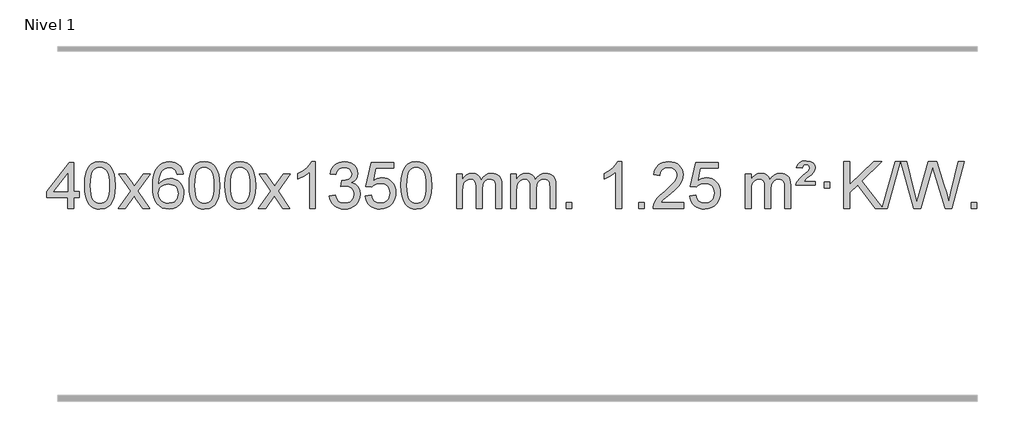
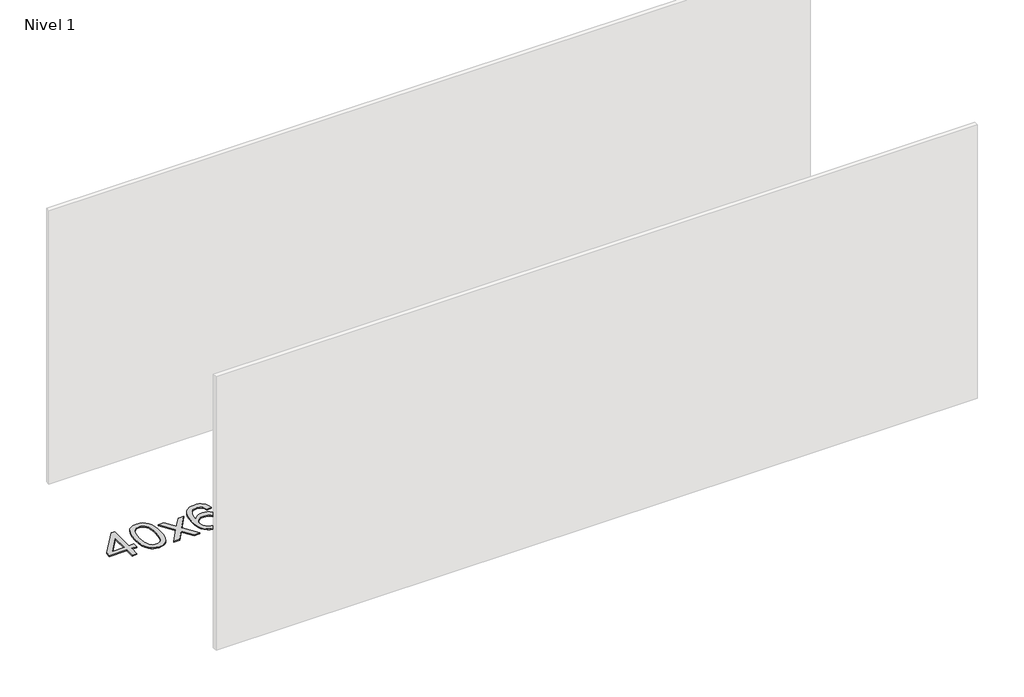
# One storey, part 9 of 9: 1 proxy.
"""IFC4 building model written with IfcOpenShell, lengths in millimetres."""

from ifc_helpers import new_model, si_unit, origin, origin_with_axes, place, context, project, spatial, polyline, outline, extrude, element, save

model = new_model("IFC4")

# Units and contexts
model_context = context("Model", 3, world=origin())
ifc_project = project(units=[si_unit("LENGTHUNIT", "METRE", prefix="MILLI")], contexts=[model_context])

# Site, building, storey
site = spatial("IfcSite", under=ifc_project)
building = spatial("IfcBuilding", under=site)
storey = spatial("IfcBuildingStorey", under=building, Name="Nivel 1", Elevation=0.0)

# Proxy
placement = place(None, origin())
element("IfcBuildingElementProxy", 1, Name="Texto de modelo 1", ObjectType="Texto de modelo 1", at=placement, inside=storey, context=model_context, shape_type="SweptSolid", body=[
    extrude(outline(polyline([(-12946.7519314, 2608.420547), (-12946.7519314, 2702.5983378), (-13128.8289935, 2702.5983378), (-13128.8289935, 2752.8264928), (-12934.1948926, 3003.9672682), (-12896.5237763, 3003.9672682), (-12896.5237763, 2752.8264928), (-12846.2956212, 2752.8264928), (-12846.2956212, 2702.5983378), (-12896.5237763, 2702.5983378), (-12896.5237763, 2608.420547), (-12946.7519314, 2608.420547)]), holes=[polyline([(-12946.7519314, 2752.8264928), (-12946.7519314, 2908.0236439), (-13067.0248183, 2752.8264928), (-12946.7519314, 2752.8264928)])]), origin_with_axes(), (0.0, 0.0, 1.0), 10.0),
    extrude(outline(polyline([(-12802.3459855, 2806.0958057), (-12798.6549029, 2870.4138412), (-12787.5816548, 2921.7088541), (-12769.236606, 2960.7656593), (-12757.378543, 2975.9990395), (-12743.730121, 2988.3690716), (-12728.2453547, 2997.9401349), (-12710.8782588, 3004.7766086), (-12670.4970785, 3010.2457876), (-12639.5459399, 3007.008426), (-12611.832163, 2997.2963414), (-12588.6555973, 2981.4896783), (-12571.3160926, 2959.9685816), (-12558.2194935, 2932.9169922), (-12547.7716449, 2900.5188512), (-12540.9290398, 2859.3773814), (-12538.6481714, 2806.0958057), (-12542.3024659, 2742.1456523), (-12553.2653493, 2690.9732667), (-12571.5000336, 2651.8796734), (-12583.3305054, 2636.6003078), (-12596.9697304, 2624.1658964), (-12612.4728908, 2614.5304538), (-12629.8951689, 2607.6479948), (-12670.4970785, 2602.1420276), (-12698.1618045, 2604.5332606), (-12722.6872709, 2611.7069595), (-12744.0734775, 2623.6631243), (-12762.3204245, 2640.4017551), (-12779.8316074, 2670.6600492), (-12792.3395953, 2708.3618224), (-12799.844388, 2753.5070745), (-12802.3459855, 2806.0958057)]), holes=[polyline([(-12752.1178305, 2806.1939076), (-12750.6463025, 2762.5293805), (-12746.2317185, 2727.1851178), (-12738.8740786, 2700.1611196), (-12728.5733828, 2681.4573858), (-12716.1144459, 2668.7317344), (-12702.2820829, 2659.6419835), (-12687.0762937, 2654.1881329), (-12670.4970785, 2652.3701827), (-12653.9178632, 2654.1942643), (-12638.7120741, 2659.6665089), (-12624.8797111, 2668.7869167), (-12612.4207742, 2681.5554876), (-12602.1200783, 2700.2898783), (-12594.7624384, 2727.3077451), (-12590.3478545, 2762.6090882), (-12588.8763265, 2806.1939076), (-12590.2988035, 2848.7026722), (-12594.5662347, 2883.4246011), (-12601.6786199, 2910.3596945), (-12611.6359592, 2929.5079524), (-12623.8864297, 2942.8559375), (-12637.8782082, 2952.3902125), (-12653.6112949, 2958.1107775), (-12671.0856897, 2960.0176325), (-12687.5790658, 2958.3376381), (-12702.5273375, 2953.2976548), (-12715.9305049, 2944.8976825), (-12727.7885679, 2933.1377214), (-12738.4326203, 2912.291075), (-12746.0355148, 2884.1848906), (-12750.5972516, 2848.8191681), (-12752.1178305, 2806.1939076)])]), origin_with_axes(), (0.0, 0.0, 1.0), 10.0),
    extrude(outline(polyline([(-12513.5340939, 2608.420547), (-12406.2106531, 2756.7505675), (-12507.2555745, 2903.5109581), (-12446.8248254, 2903.5109581), (-12398.0681983, 2832.877615), (-12375.3085655, 2799.5229808), (-12355.5900906, 2826.7952993), (-12300.0644348, 2903.5109581), (-12239.6336857, 2903.5109581), (-12345.7799041, 2756.7505675), (-12243.5577603, 2608.420547), (-12303.9885094, 2608.420547), (-12365.498379, 2697.5951426), (-12376.7800935, 2713.8800523), (-12453.1033448, 2608.420547), (-12513.5340939, 2608.420547)])), origin_with_axes(), (0.0, 0.0, 1.0), 10.0),
    extrude(outline(polyline([(-11954.7458687, 2903.5109581), (-12004.9740237, 2897.2324387), (-12013.0674276, 2922.125787), (-12024.0057856, 2939.1219352), (-12046.7899439, 2954.7937082), (-12074.3320426, 2960.0176325), (-12097.6802865, 2956.9764747), (-12119.6551044, 2947.8530012), (-12138.5274507, 2928.6372983), (-12153.9417063, 2902.1865829), (-12164.3527668, 2864.772984), (-12168.2155277, 2812.6686307), (-12148.0678571, 2836.1762902), (-12123.9225355, 2852.7432427), (-12097.1284635, 2862.565692), (-12069.0345418, 2865.8398418), (-12044.9014829, 2863.601893), (-12022.6323595, 2856.8880466), (-12002.2271715, 2845.6983025), (-11983.6859189, 2830.0326609), (-11968.2777947, 2810.8230894), (-11957.2719917, 2789.0015557), (-11950.6685099, 2764.5680599), (-11948.4673493, 2737.5226018), (-11952.6121531, 2701.5560055), (-11965.0465645, 2668.213634), (-11984.740514, 2639.9357713), (-12010.6639319, 2619.1627013), (-12041.6395959, 2606.397196), (-12076.4902836, 2602.1420276), (-12106.4328123, 2604.9624563), (-12133.4752046, 2613.4237421), (-12157.6174606, 2627.5258853), (-12178.8595801, 2647.2688857), (-12196.177625, 2673.4866092), (-12208.5476571, 2707.0129217), (-12215.9696764, 2747.8478232), (-12218.4436828, 2795.9913136), (-12215.6968306, 2849.9657337), (-12207.4562739, 2896.0306908), (-12193.7220127, 2934.1861851), (-12174.4940471, 2964.4322165), (-12153.6535321, 2984.4756538), (-12129.4898164, 2998.7923948), (-12102.0029, 3007.3824394), (-12071.1927829, 3010.2457876), (-12048.0591367, 3008.4738227), (-12027.1205198, 3003.1579278), (-12008.3769322, 2994.2981031), (-11991.8283738, 2981.8943485), (-11977.9224344, 2966.3635969), (-11967.1067037, 2948.1227814), (-11959.3811818, 2927.1719017), (-11954.7458687, 2903.5109581)]), holes=[polyline([(-12168.2155277, 2738.3074168), (-12165.30926, 2716.0505561), (-12156.5904567, 2694.7992395), (-12143.0523993, 2676.527767), (-12125.6883691, 2663.2104388), (-12104.7313581, 2655.0802467), (-12080.4143582, 2652.3701827), (-12047.2681904, 2657.9865145), (-12033.353054, 2665.0069292), (-12021.2098825, 2674.8355099), (-12011.359842, 2687.0737176), (-12004.3240989, 2701.3230135), (-11998.6955043, 2735.8548701), (-12004.2505225, 2769.0010379), (-12011.1942951, 2782.6218688), (-12020.9155769, 2794.274531), (-12033.0955366, 2803.6095366), (-12047.4153432, 2810.2773978), (-12082.4744974, 2815.6116867), (-12115.5716142, 2810.2773978), (-12143.248603, 2794.274531), (-12154.1716326, 2782.7751529), (-12161.9737965, 2769.6141746), (-12166.6550949, 2754.7915958), (-12168.2155277, 2738.3074168)])]), origin_with_axes(), (0.0, 0.0, 1.0), 10.0),
    extrude(outline(polyline([(-11904.5177136, 2806.0958057), (-11900.8266309, 2870.4138412), (-11889.7533828, 2921.7088541), (-11871.408334, 2960.7656593), (-11859.550271, 2975.9990395), (-11845.901849, 2988.3690716), (-11830.4170827, 2997.9401349), (-11813.0499869, 3004.7766086), (-11772.6688065, 3010.2457876), (-11741.717668, 3007.008426), (-11714.003891, 2997.2963414), (-11690.8273253, 2981.4896783), (-11673.4878206, 2959.9685816), (-11660.3912216, 2932.9169922), (-11649.9433729, 2900.5188512), (-11643.1007678, 2859.3773814), (-11640.8198994, 2806.0958057), (-11644.4741939, 2742.1456523), (-11655.4370774, 2690.9732667), (-11673.6717616, 2651.8796734), (-11685.5022334, 2636.6003078), (-11699.1414584, 2624.1658964), (-11714.6446188, 2614.5304538), (-11732.066897, 2607.6479948), (-11772.6688065, 2602.1420276), (-11800.3335326, 2604.5332606), (-11824.8589989, 2611.7069595), (-11846.2452055, 2623.6631243), (-11864.4921525, 2640.4017551), (-11882.0033355, 2670.6600492), (-11894.5113233, 2708.3618224), (-11902.016116, 2753.5070745), (-11904.5177136, 2806.0958057)]), holes=[polyline([(-11854.2895585, 2806.1939076), (-11852.8180305, 2762.5293805), (-11848.4034466, 2727.1851178), (-11841.0458067, 2700.1611196), (-11830.7451108, 2681.4573858), (-11818.2861739, 2668.7317344), (-11804.4538109, 2659.6419835), (-11789.2480218, 2654.1881329), (-11772.6688065, 2652.3701827), (-11756.0895913, 2654.1942643), (-11740.8838021, 2659.6665089), (-11727.0514391, 2668.7869167), (-11714.5925022, 2681.5554876), (-11704.2918063, 2700.2898783), (-11696.9341664, 2727.3077451), (-11692.5195825, 2762.6090882), (-11691.0480545, 2806.1939076), (-11692.4705316, 2848.7026722), (-11696.7379627, 2883.4246011), (-11703.8503479, 2910.3596945), (-11713.8076873, 2929.5079524), (-11726.0581577, 2942.8559375), (-11740.0499363, 2952.3902125), (-11755.7830229, 2958.1107775), (-11773.2574177, 2960.0176325), (-11789.7507938, 2958.3376381), (-11804.6990656, 2953.2976548), (-11818.1022329, 2944.8976825), (-11829.9602959, 2933.1377214), (-11840.6043483, 2912.291075), (-11848.2072429, 2884.1848906), (-11852.7689796, 2848.8191681), (-11854.2895585, 2806.1939076)])]), origin_with_axes(), (0.0, 0.0, 1.0), 10.0),
    extrude(outline(polyline([(-11596.8702638, 2806.0958057), (-11593.1791811, 2870.4138412), (-11582.105933, 2921.7088541), (-11563.7608842, 2960.7656593), (-11551.9028212, 2975.9990395), (-11538.2543992, 2988.3690716), (-11522.7696329, 2997.9401349), (-11505.402537, 3004.7766086), (-11465.0213567, 3010.2457876), (-11434.0702182, 3007.008426), (-11406.3564412, 2997.2963414), (-11383.1798755, 2981.4896783), (-11365.8403708, 2959.9685816), (-11352.7437718, 2932.9169922), (-11342.2959231, 2900.5188512), (-11335.453318, 2859.3773814), (-11333.1724496, 2806.0958057), (-11336.8267441, 2742.1456523), (-11347.7896275, 2690.9732667), (-11366.0243118, 2651.8796734), (-11377.8547836, 2636.6003078), (-11391.4940086, 2624.1658964), (-11406.997169, 2614.5304538), (-11424.4194471, 2607.6479948), (-11465.0213567, 2602.1420276), (-11492.6860827, 2604.5332606), (-11517.2115491, 2611.7069595), (-11538.5977557, 2623.6631243), (-11556.8447027, 2640.4017551), (-11574.3558856, 2670.6600492), (-11586.8638735, 2708.3618224), (-11594.3686662, 2753.5070745), (-11596.8702638, 2806.0958057)]), holes=[polyline([(-11546.6421087, 2806.1939076), (-11545.1705807, 2762.5293805), (-11540.7559968, 2727.1851178), (-11533.3983568, 2700.1611196), (-11523.097661, 2681.4573858), (-11510.6387241, 2668.7317344), (-11496.8063611, 2659.6419835), (-11481.6005719, 2654.1881329), (-11465.0213567, 2652.3701827), (-11448.4421414, 2654.1942643), (-11433.2363523, 2659.6665089), (-11419.4039893, 2668.7869167), (-11406.9450524, 2681.5554876), (-11396.6443565, 2700.2898783), (-11389.2867166, 2727.3077451), (-11384.8721327, 2762.6090882), (-11383.4006047, 2806.1939076), (-11384.8230817, 2848.7026722), (-11389.0905129, 2883.4246011), (-11396.2028981, 2910.3596945), (-11406.1602375, 2929.5079524), (-11418.4107079, 2942.8559375), (-11432.4024864, 2952.3902125), (-11448.1355731, 2958.1107775), (-11465.6099679, 2960.0176325), (-11482.103344, 2958.3376381), (-11497.0516157, 2953.2976548), (-11510.4547831, 2944.8976825), (-11522.3128461, 2933.1377214), (-11532.9568985, 2912.291075), (-11540.559793, 2884.1848906), (-11545.1215298, 2848.8191681), (-11546.6421087, 2806.1939076)])]), origin_with_axes(), (0.0, 0.0, 1.0), 10.0),
    extrude(outline(polyline([(-11308.0583721, 2608.420547), (-11200.7349313, 2756.7505675), (-11301.7798527, 2903.5109581), (-11241.3491036, 2903.5109581), (-11192.5924765, 2832.877615), (-11169.8328437, 2799.5229808), (-11150.1143688, 2826.7952993), (-11094.588713, 2903.5109581), (-11034.1579639, 2903.5109581), (-11140.3041823, 2756.7505675), (-11038.0820385, 2608.420547), (-11098.5127876, 2608.420547), (-11160.0226572, 2697.5951426), (-11171.3043717, 2713.8800523), (-11247.627623, 2608.420547), (-11308.0583721, 2608.420547)])), origin_with_axes(), (0.0, 0.0, 1.0), 10.0),
    extrude(outline(polyline([(-10818.3338601, 2608.420547), (-10868.5620152, 2608.420547), (-10868.5620152, 2921.5617013), (-10889.5312889, 2904.6023413), (-10916.1414199, 2887.6675068), (-10969.0183253, 2862.3081746), (-10969.0183253, 2909.7894775), (-10929.5691127, 2931.2492605), (-10895.3928753, 2956.780271), (-10868.4516506, 2983.9299622), (-10850.7074757, 3010.2457876), (-10818.3338601, 3010.2457876), (-10818.3338601, 2608.420547)])), origin_with_axes(), (0.0, 0.0, 1.0), 10.0),
    extrude(outline(polyline([(-10699.0419918, 2715.1553765), (-10648.8138367, 2721.4338959), (-10637.5689104, 2689.8696207), (-10621.1000597, 2668.5569905), (-10598.5979444, 2656.4168846), (-10569.2532239, 2652.3701827), (-10534.8194691, 2657.9374636), (-10520.5456477, 2664.8965646), (-10508.2338636, 2674.6393061), (-10491.2377154, 2699.5571799), (-10485.5723327, 2729.7725545), (-10491.1886645, 2758.4550874), (-10508.0376599, 2781.7174922), (-10533.5441449, 2797.1317478), (-10565.1329455, 2802.269833), (-10600.3515152, 2796.7761285), (-10594.7597089, 2847.0042836), (-10586.7153559, 2846.4156724), (-10556.6226087, 2850.020916), (-10529.7181721, 2860.8366466), (-10518.6449241, 2869.0158897), (-10510.7354612, 2879.1326445), (-10505.9897835, 2891.1869112), (-10504.4078909, 2905.1786898), (-10508.9941531, 2926.8714648), (-10522.7529397, 2944.4684869), (-10543.7467389, 2956.1303461), (-10570.0380388, 2960.0176325), (-10596.3783897, 2956.0935579), (-10617.9117491, 2944.3213341), (-10633.632573, 2924.700961), (-10642.5353173, 2897.2324387), (-10692.7634724, 2903.5109581), (-10686.8099154, 2927.4907328), (-10677.9746162, 2948.6132907), (-10666.2575747, 2966.8786317), (-10651.6587908, 2982.286756), (-10634.6381172, 2994.5188323), (-10615.6554062, 3003.2560297), (-10594.710658, 3008.4983481), (-10571.8038724, 3010.2457876), (-10540.2273345, 3006.7999596), (-10511.2259705, 2996.4624755), (-10486.7740806, 2980.1530404), (-10468.8459647, 2958.7913592), (-10457.846293, 2934.1800537), (-10454.1797358, 2908.1217457), (-10457.662352, 2883.8415341), (-10468.1102007, 2861.8176653), (-10485.376129, 2843.0556835), (-10509.3129841, 2828.5611329), (-10477.8713363, 2815.8569414), (-10454.5721433, 2794.22548), (-10440.151169, 2764.8439714), (-10435.3441776, 2728.8896377), (-10437.7476733, 2703.4076782), (-10444.9581605, 2679.9368069), (-10456.975639, 2658.4770238), (-10473.8001089, 2639.028329), (-10494.2972674, 2622.8905722), (-10517.3328116, 2611.363603), (-10542.9067417, 2604.4474215), (-10571.0190575, 2602.1420276), (-10596.4274406, 2604.1101963), (-10619.5794808, 2610.0147023), (-10640.4751782, 2619.8555457), (-10659.1145326, 2633.6327264), (-10674.743386, 2650.5369041), (-10686.6075804, 2669.7587383), (-10694.7071156, 2691.2982292), (-10699.0419918, 2715.1553765)])), origin_with_axes(), (0.0, 0.0, 1.0), 10.0),
    extrude(outline(polyline([(-10391.394542, 2715.1553765), (-10341.1663869, 2721.4338959), (-10331.9448115, 2691.2798351), (-10315.8561056, 2669.6851619), (-10292.9738455, 2656.6989275), (-10263.3716076, 2652.3701827), (-10244.2417439, 2653.8754332), (-10227.368223, 2658.3911847), (-10212.7510451, 2665.9174372), (-10200.3902101, 2676.4541906), (-10190.5616294, 2689.480279), (-10183.5412147, 2704.4745359), (-10177.9248829, 2740.3675559), (-10183.1855954, 2774.1636486), (-10189.7614861, 2788.0818507), (-10198.967733, 2800.0134901), (-10210.834993, 2809.5845533), (-10225.393923, 2816.4210271), (-10262.5867927, 2821.8902061), (-10286.9528435, 2819.7074396), (-10306.6835812, 2813.1591401), (-10322.4411933, 2803.1282243), (-10334.8878675, 2790.4976092), (-10385.1160226, 2796.7761285), (-10341.1663869, 3003.9672682), (-10146.532286, 3003.9672682), (-10146.532286, 2953.7391131), (-10300.5522146, 2953.7391131), (-10322.0365231, 2843.080209), (-10304.3107423, 2855.7844006), (-10286.1557659, 2864.8588231), (-10267.5715937, 2870.3034766), (-10248.558226, 2872.1183612), (-10224.097139, 2869.8681496), (-10201.6287461, 2863.117515), (-10181.1530474, 2851.8664573), (-10162.6700428, 2836.1149766), (-10147.3692175, 2816.8256973), (-10136.4400566, 2794.961244), (-10129.88256, 2770.5216168), (-10127.6967278, 2743.5068156), (-10129.6648965, 2717.4852958), (-10135.5694025, 2693.2786606), (-10145.4102459, 2670.8869098), (-10159.1874266, 2650.3100435), (-10180.0585985, 2629.2365366), (-10204.4123865, 2614.1840316), (-10232.2487908, 2605.1525286), (-10263.5678114, 2602.1420276), (-10289.4881636, 2604.0764738), (-10312.9007869, 2609.8798123), (-10333.8056813, 2619.552043), (-10352.2028467, 2633.0931662), (-10367.5098034, 2649.8287312), (-10379.1440715, 2669.084288), (-10387.105651, 2690.8598364), (-10391.394542, 2715.1553765)])), origin_with_axes(), (0.0, 0.0, 1.0), 10.0),
    extrude(outline(polyline([(-10083.7470921, 2806.0958057), (-10080.0560094, 2870.4138412), (-10068.9827614, 2921.7088541), (-10050.6377126, 2960.7656593), (-10038.7796496, 2975.9990395), (-10025.1312276, 2988.3690716), (-10009.6464612, 2997.9401349), (-9992.2793654, 3004.7766086), (-9951.8981851, 3010.2457876), (-9920.9470465, 3007.008426), (-9893.2332696, 2997.2963414), (-9870.0567039, 2981.4896783), (-9852.7171992, 2959.9685816), (-9839.6206001, 2932.9169922), (-9829.1727515, 2900.5188512), (-9822.3301463, 2859.3773814), (-9820.049278, 2806.0958057), (-9823.7035725, 2742.1456523), (-9834.6664559, 2690.9732667), (-9852.9011401, 2651.8796734), (-9864.731612, 2636.6003078), (-9878.3708369, 2624.1658964), (-9893.8739974, 2614.5304538), (-9911.2962755, 2607.6479948), (-9951.8981851, 2602.1420276), (-9979.5629111, 2604.5332606), (-10004.0883774, 2611.7069595), (-10025.4745841, 2623.6631243), (-10043.721531, 2640.4017551), (-10061.232714, 2670.6600492), (-10073.7407019, 2708.3618224), (-10081.2454946, 2753.5070745), (-10083.7470921, 2806.0958057)]), holes=[polyline([(-10033.518937, 2806.1939076), (-10032.0474091, 2762.5293805), (-10027.6328251, 2727.1851178), (-10020.2751852, 2700.1611196), (-10009.9744894, 2681.4573858), (-9997.5155525, 2668.7317344), (-9983.6831894, 2659.6419835), (-9968.4774003, 2654.1881329), (-9951.8981851, 2652.3701827), (-9935.3189698, 2654.1942643), (-9920.1131807, 2659.6665089), (-9906.2808176, 2668.7869167), (-9893.8218807, 2681.5554876), (-9883.5211849, 2700.2898783), (-9876.163545, 2727.3077451), (-9871.748961, 2762.6090882), (-9870.2774331, 2806.1939076), (-9871.6999101, 2848.7026722), (-9875.9673412, 2883.4246011), (-9883.0797265, 2910.3596945), (-9893.0370658, 2929.5079524), (-9905.2875363, 2942.8559375), (-9919.2793148, 2952.3902125), (-9935.0124015, 2958.1107775), (-9952.4867962, 2960.0176325), (-9968.9801724, 2958.3376381), (-9983.9284441, 2953.2976548), (-9997.3316115, 2944.8976825), (-10009.1896744, 2933.1377214), (-10019.8337268, 2912.291075), (-10027.4366214, 2884.1848906), (-10031.9983581, 2848.8191681), (-10033.518937, 2806.1939076)])]), origin_with_axes(), (0.0, 0.0, 1.0), 10.0),
    extrude(outline(polyline([(-9606.5796189, 2608.420547), (-9606.5796189, 2903.5109581), (-9556.3514638, 2903.5109581), (-9556.3514638, 2854.9505347), (-9541.2437766, 2877.2564463), (-9521.8196072, 2894.7308411), (-9498.7411434, 2906.0248184), (-9472.6705727, 2909.7894775), (-9444.7360665, 2905.951242), (-9422.3443157, 2894.4365355), (-9405.6179477, 2876.0056476), (-9394.6795897, 2851.4188676), (-9376.3713291, 2876.9560094), (-9355.4878945, 2895.196825), (-9332.0292859, 2906.1413143), (-9305.9955034, 2909.7894775), (-9285.8876867, 2908.2719642), (-9268.2385479, 2903.7194245), (-9253.0480872, 2896.1318584), (-9240.3163045, 2885.5092658), (-9230.2516663, 2871.7290194), (-9223.0626389, 2854.6684918), (-9218.7492225, 2834.3276832), (-9217.3114171, 2810.7065934), (-9217.3114171, 2608.420547), (-9267.5395722, 2608.420547), (-9267.5395722, 2789.124183), (-9268.7045318, 2814.1769469), (-9272.1994108, 2831.0627305), (-9278.7477103, 2842.6264879), (-9289.0729316, 2851.7131732), (-9302.3534716, 2857.5992851), (-9317.7677272, 2859.5613224), (-9344.9787321, 2854.5336018), (-9367.1620165, 2839.45044), (-9375.7673895, 2827.8805512), (-9381.9140845, 2813.2817674), (-9386.8314405, 2774.9975144), (-9386.8314405, 2608.420547), (-9437.0595955, 2608.420547), (-9437.0595955, 2794.7159894), (-9439.9658633, 2823.1164794), (-9448.6846666, 2843.3745146), (-9464.0253458, 2855.5146204), (-9486.7972413, 2859.5613224), (-9506.1478342, 2856.8635211), (-9523.9778483, 2848.7701172), (-9538.6931281, 2835.4773144), (-9548.6995183, 2817.1813165), (-9554.4384775, 2791.7974589), (-9556.3514638, 2757.2410768), (-9556.3514638, 2608.420547), (-9606.5796189, 2608.420547)])), origin_with_axes(), (0.0, 0.0, 1.0), 10.0),
    extrude(outline(polyline([(-9141.9691845, 2608.420547), (-9141.9691845, 2903.5109581), (-9091.7410294, 2903.5109581), (-9091.7410294, 2854.9505347), (-9076.6333421, 2877.2564463), (-9057.2091728, 2894.7308411), (-9034.130709, 2906.0248184), (-9008.0601382, 2909.7894775), (-8980.1256321, 2905.951242), (-8957.7338813, 2894.4365355), (-8941.0075132, 2876.0056476), (-8930.0691552, 2851.4188676), (-8911.7608946, 2876.9560094), (-8890.87746, 2895.196825), (-8867.4188515, 2906.1413143), (-8841.3850689, 2909.7894775), (-8821.2772522, 2908.2719642), (-8803.6281135, 2903.7194245), (-8788.4376528, 2896.1318584), (-8775.7058701, 2885.5092658), (-8765.6412318, 2871.7290194), (-8758.4522045, 2854.6684918), (-8754.1387881, 2834.3276832), (-8752.7009826, 2810.7065934), (-8752.7009826, 2608.420547), (-8802.9291377, 2608.420547), (-8802.9291377, 2789.124183), (-8804.0940974, 2814.1769469), (-8807.5889763, 2831.0627305), (-8814.1372758, 2842.6264879), (-8824.4624972, 2851.7131732), (-8837.7430372, 2857.5992851), (-8853.1572928, 2859.5613224), (-8880.3682977, 2854.5336018), (-8902.551582, 2839.45044), (-8911.156955, 2827.8805512), (-8917.30365, 2813.2817674), (-8922.221006, 2774.9975144), (-8922.221006, 2608.420547), (-8972.4491611, 2608.420547), (-8972.4491611, 2794.7159894), (-8975.3554289, 2823.1164794), (-8984.0742321, 2843.3745146), (-8999.4149113, 2855.5146204), (-9022.1868068, 2859.5613224), (-9041.5373998, 2856.8635211), (-9059.3674138, 2848.7701172), (-9074.0826936, 2835.4773144), (-9084.0890839, 2817.1813165), (-9089.828043, 2791.7974589), (-9091.7410294, 2757.2410768), (-9091.7410294, 2608.420547), (-9141.9691845, 2608.420547)])), origin_with_axes(), (0.0, 0.0, 1.0), 10.0),
    extrude(outline(polyline([(-8664.8017113, 2608.420547), (-8664.8017113, 2658.6487021), (-8614.5735562, 2658.6487021), (-8614.5735562, 2608.420547), (-8664.8017113, 2608.420547)])), origin_with_axes(), (0.0, 0.0, 1.0), 10.0),
    extrude(outline(polyline([(-8187.634238, 2608.420547), (-8237.8623931, 2608.420547), (-8237.8623931, 2921.5617013), (-8258.8316668, 2904.6023413), (-8285.4417978, 2887.6675068), (-8338.3187033, 2862.3081746), (-8338.3187033, 2909.7894775), (-8298.8694907, 2931.2492605), (-8264.6932533, 2956.780271), (-8237.7520285, 2983.9299622), (-8220.0078536, 3010.2457876), (-8187.634238, 3010.2457876), (-8187.634238, 2608.420547)])), origin_with_axes(), (0.0, 0.0, 1.0), 10.0),
    extrude(outline(polyline([(-8043.2282922, 2608.420547), (-8043.2282922, 2658.6487021), (-7993.0001371, 2658.6487021), (-7993.0001371, 2608.420547), (-8043.2282922, 2608.420547)])), origin_with_axes(), (0.0, 0.0, 1.0), 10.0),
    extrude(outline(polyline([(-7653.9600904, 2658.6487021), (-7653.9600904, 2608.420547), (-7917.6579045, 2608.420547), (-7916.5542585, 2626.1034082), (-7912.2623019, 2643.0505055), (-7899.8769414, 2670.1143576), (-7881.7526218, 2696.3688693), (-7855.5348983, 2723.8496544), (-7818.8693261, 2754.5923264), (-7764.6680455, 2802.7358169), (-7732.1472771, 2838.2732176), (-7715.8868929, 2867.115166), (-7710.4667648, 2895.1722995), (-7715.5803246, 2920.3231653), (-7730.9210038, 2941.2311253), (-7754.5022397, 2955.3210057), (-7784.3374695, 2960.0176325), (-7815.6687527, 2955.4313703), (-7840.0102781, 2941.6725837), (-7855.7188393, 2919.8203932), (-7861.1512301, 2890.9539193), (-7911.3793851, 2897.2324387), (-7907.0598374, 2923.161988), (-7899.2024911, 2945.8173875), (-7887.8073463, 2965.1986373), (-7872.874403, 2981.3057373), (-7854.7470177, 2993.9670093), (-7833.7685469, 3003.010775), (-7809.9389907, 3008.4370345), (-7783.258349, 3010.2457876), (-7756.338584, 3008.2346994), (-7732.380269, 3002.2014346), (-7711.3834041, 2992.1459934), (-7693.3479893, 2978.0683758), (-7678.8626358, 2961.0109139), (-7668.5159547, 2942.0159402), (-7662.307946, 2921.0834547), (-7660.2386098, 2898.2134573), (-7662.4704272, 2874.1907631), (-7669.1658795, 2850.5850017), (-7681.048468, 2826.5745701), (-7698.8416938, 2801.3378653), (-7727.2053956, 2771.2083299), (-7770.799412, 2732.5194067), (-7828.5814108, 2684.204238), (-7851.2429417, 2658.6487021), (-7653.9600904, 2658.6487021)])), origin_with_axes(), (0.0, 0.0, 1.0), 10.0),
    extrude(outline(polyline([(-7603.7319353, 2715.1553765), (-7553.5037802, 2721.4338959), (-7544.2822049, 2691.2798351), (-7528.193499, 2669.6851619), (-7505.3112389, 2656.6989275), (-7475.709001, 2652.3701827), (-7456.5791372, 2653.8754332), (-7439.7056164, 2658.3911847), (-7425.0884384, 2665.9174372), (-7412.7276034, 2676.4541906), (-7402.8990228, 2689.480279), (-7395.878608, 2704.4745359), (-7390.2622762, 2740.3675559), (-7395.5229888, 2774.1636486), (-7402.0988794, 2788.0818507), (-7411.3051264, 2800.0134901), (-7423.1723864, 2809.5845533), (-7437.7313163, 2816.4210271), (-7474.9241861, 2821.8902061), (-7499.2902369, 2819.7074396), (-7519.0209745, 2813.1591401), (-7534.7785867, 2803.1282243), (-7547.2252608, 2790.4976092), (-7597.4534159, 2796.7761285), (-7553.5037802, 3003.9672682), (-7358.8696793, 3003.9672682), (-7358.8696793, 2953.7391131), (-7512.889608, 2953.7391131), (-7534.3739165, 2843.080209), (-7516.6481357, 2855.7844006), (-7498.4931592, 2864.8588231), (-7479.9089871, 2870.3034766), (-7460.8956193, 2872.1183612), (-7436.4345323, 2869.8681496), (-7413.9661395, 2863.117515), (-7393.4904407, 2851.8664573), (-7375.0074362, 2836.1149766), (-7359.7066109, 2816.8256973), (-7348.7774499, 2794.961244), (-7342.2199533, 2770.5216168), (-7340.0341212, 2743.5068156), (-7342.0022898, 2717.4852958), (-7347.9067959, 2693.2786606), (-7357.7476392, 2670.8869098), (-7371.5248199, 2650.3100435), (-7392.3959918, 2629.2365366), (-7416.7497799, 2614.1840316), (-7444.5861842, 2605.1525286), (-7475.9052047, 2602.1420276), (-7501.825557, 2604.0764738), (-7525.2381803, 2609.8798123), (-7546.1430746, 2619.552043), (-7564.5402401, 2633.0931662), (-7579.8471968, 2649.8287312), (-7591.4814649, 2669.084288), (-7599.4430444, 2690.8598364), (-7603.7319353, 2715.1553765)])), origin_with_axes(), (0.0, 0.0, 1.0), 10.0),
    extrude(outline(polyline([(-7126.5644621, 2608.420547), (-7126.5644621, 2903.5109581), (-7076.336307, 2903.5109581), (-7076.336307, 2854.9505347), (-7061.2286197, 2877.2564463), (-7041.8044504, 2894.7308411), (-7018.7259866, 2906.0248184), (-6992.6554158, 2909.7894775), (-6964.7209097, 2905.951242), (-6942.3291589, 2894.4365355), (-6925.6027909, 2876.0056476), (-6914.6644329, 2851.4188676), (-6896.3561722, 2876.9560094), (-6875.4727377, 2895.196825), (-6852.0141291, 2906.1413143), (-6825.9803466, 2909.7894775), (-6805.8725298, 2908.2719642), (-6788.2233911, 2903.7194245), (-6773.0329304, 2896.1318584), (-6760.3011477, 2885.5092658), (-6750.2365094, 2871.7290194), (-6743.0474821, 2854.6684918), (-6738.7340657, 2834.3276832), (-6737.2962603, 2810.7065934), (-6737.2962603, 2608.420547), (-6787.5244153, 2608.420547), (-6787.5244153, 2789.124183), (-6788.689375, 2814.1769469), (-6792.1842539, 2831.0627305), (-6798.7325535, 2842.6264879), (-6809.0577748, 2851.7131732), (-6822.3383148, 2857.5992851), (-6837.7525704, 2859.5613224), (-6864.9635753, 2854.5336018), (-6887.1468596, 2839.45044), (-6895.7522326, 2827.8805512), (-6901.8989276, 2813.2817674), (-6906.8162836, 2774.9975144), (-6906.8162836, 2608.420547), (-6957.0444387, 2608.420547), (-6957.0444387, 2794.7159894), (-6959.9507065, 2823.1164794), (-6968.6695098, 2843.3745146), (-6984.010189, 2855.5146204), (-7006.7820845, 2859.5613224), (-7026.1326774, 2856.8635211), (-7043.9626914, 2848.7701172), (-7058.6779713, 2835.4773144), (-7068.6843615, 2817.1813165), (-7074.4233206, 2791.7974589), (-7076.336307, 2757.2410768), (-7076.336307, 2608.420547), (-7126.5644621, 2608.420547)])), origin_with_axes(), (0.0, 0.0, 1.0), 10.0),
    extrude(outline(polyline([(-6693.3466246, 2809.3331673), (-6689.5206518, 2825.1520931), (-6681.1819933, 2841.0200698), (-6659.6731593, 2866.1586728), (-6627.7164766, 2893.8969753), (-6583.5706372, 2931.273786), (-6576.4337265, 2942.8007552), (-6574.0547563, 2954.6220299), (-6575.9432172, 2966.7130848), (-6581.6085999, 2976.4987459), (-6590.977328, 2982.973469), (-6603.9758252, 2985.1317101), (-6616.4102366, 2983.5130293), (-6625.26393, 2978.656987), (-6631.6896022, 2969.1901569), (-6636.8399501, 2953.7391131), (-6687.0681052, 2960.0176325), (-6676.2278491, 2985.2298119), (-6659.5995829, 3002.7900458), (-6635.834406, 3013.0907417), (-6603.5834178, 3016.524307), (-6567.8007624, 3012.3917659), (-6543.0545668, 2999.9941427), (-6528.6335926, 2981.6613566), (-6523.8266012, 2959.7233269), (-6527.9223541, 2936.8165414), (-6540.2096127, 2915.1850801), (-6560.737428, 2895.3685032), (-6597.2067965, 2867.3113697), (-6622.8113834, 2840.7257642), (-6523.8266012, 2840.7257642), (-6523.8266012, 2809.3331673), (-6693.3466246, 2809.3331673)])), origin_with_axes(), (0.0, 0.0, 1.0), 10.0),
    extrude(outline(polyline([(-6448.4843686, 2784.2190898), (-6448.4843686, 2834.4472448), (-6398.2562135, 2834.4472448), (-6398.2562135, 2784.2190898), (-6448.4843686, 2784.2190898)])), origin_with_axes(), (0.0, 0.0, 1.0), 10.0),
    extrude(outline(polyline([(-6007.6145856, 2608.420547), (-6161.045903, 2811.0990009), (-6228.7361901, 2746.5479735), (-6228.7361901, 2608.420547), (-6278.9643452, 2608.420547), (-6278.9643452, 3010.2457876), (-6228.7361901, 3010.2457876), (-6228.7361901, 2813.5515475), (-6022.7222728, 3010.2457876), (-5952.4813372, 3010.2457876), (-6125.4349259, 2845.0422463), (-5950.781316, 2614.4650668), (-5839.4679883, 3010.2457876), (-5794.1449265, 3010.2457876), (-5907.1582754, 2608.420547), (-5946.2028178, 2608.420547), (-5952.4813372, 2608.420547), (-6007.6145856, 2608.420547)])), origin_with_axes(), (0.0, 0.0, 1.0), 10.0),
    extrude(outline(polyline([(-5679.6600496, 2608.420547), (-5789.2398332, 3010.2457876), (-5737.4420483, 3010.2457876), (-5673.8720395, 2746.155566), (-5654.2516665, 2664.6329159), (-5633.2578673, 2736.7377869), (-5553.5991526, 3010.2457876), (-5478.943633, 3010.2457876), (-5421.0635325, 2811.9819177), (-5396.268286, 2738.4055186), (-5377.9968136, 2664.6329159), (-5358.9650517, 2743.8011212), (-5294.8064317, 3010.2457876), (-5243.0086468, 3010.2457876), (-5352.6865323, 2608.420547), (-5406.3482526, 2608.420547), (-5502.6842845, 2918.4224416), (-5516.12424, 2961.6853642), (-5531.2319273, 2909.5932737), (-5619.0330968, 2608.420547), (-5679.6600496, 2608.420547)])), origin_with_axes(), (0.0, 0.0, 1.0), 10.0),
    extrude(outline(polyline([(-5186.5019723, 2608.420547), (-5186.5019723, 2658.6487021), (-5136.2738173, 2658.6487021), (-5136.2738173, 2608.420547), (-5186.5019723, 2608.420547)])), origin_with_axes(), (0.0, 0.0, 1.0), 10.0),
])

save(model, "model.ifc")
